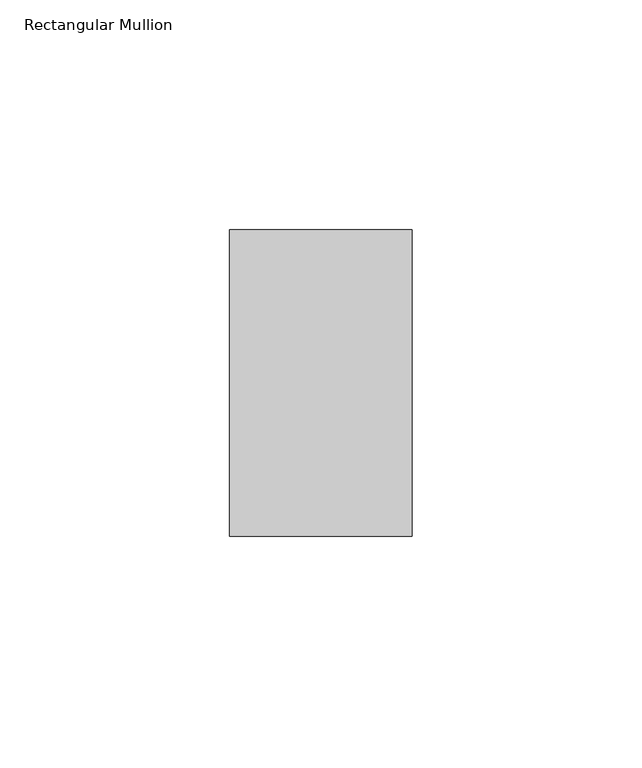
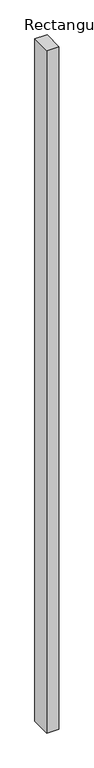
"""IFC4 building model written with IfcOpenShell, lengths in millimetres: member geometry, Rectangular Mullion."""

from ifc_helpers import new_model, si_unit, frame, origin, place, context, project, spatial, polyline, outline, extrude, source, transform, mapped, element, save


def rectangular_mullion_eabd2282(model_context):
    return source(origin(), model_context, "Body", "SweptSolid", [
        extrude(outline(polyline([(0.0, 33.3375), (0.0, -33.3375), (-39.6875, -33.3375), (-39.6875, 33.3375), (0.0, 33.3375)])), frame((0.0, 0.0, -2365.375), z_axis=(0.0, 0.0, 1.0), x_axis=(1.0, 0.0, 0.0)), (0.0, 0.0, 1.0), 2365.375),
    ])


if __name__ == "__main__":
    model = new_model("IFC4")
    model_context = context("Model", 3, world=origin())
    ifc_project = project(units=[si_unit("LENGTHUNIT", "METRE", prefix="MILLI")], contexts=[model_context])
    site = spatial("IfcSite", under=ifc_project)
    building = spatial("IfcBuilding", under=site)
    placement = place(None, origin())
    rectangular_mullion_shape = rectangular_mullion_eabd2282(model_context)
    element("IfcMember", 1, ObjectType="Rectangular Mullion", at=placement, inside=building, context=model_context, shape_type="MappedRepresentation", body=[
        mapped(rectangular_mullion_shape, transform((0.0, 0.0, 0.0), x_axis=(1.0, 0.0, 0.0), y_axis=(0.0, 1.0, 0.0), z_axis=(0.0, 0.0, 1.0))),
    ])
    save(model, "model.ifc")
